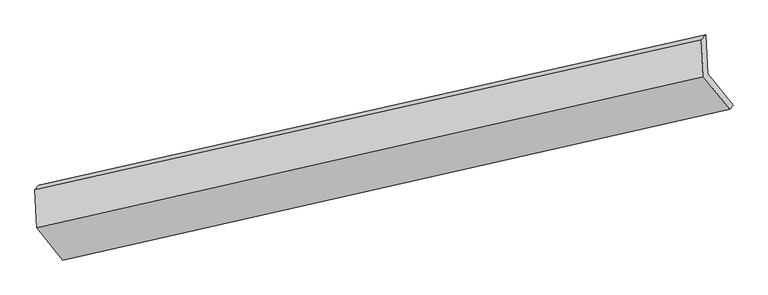
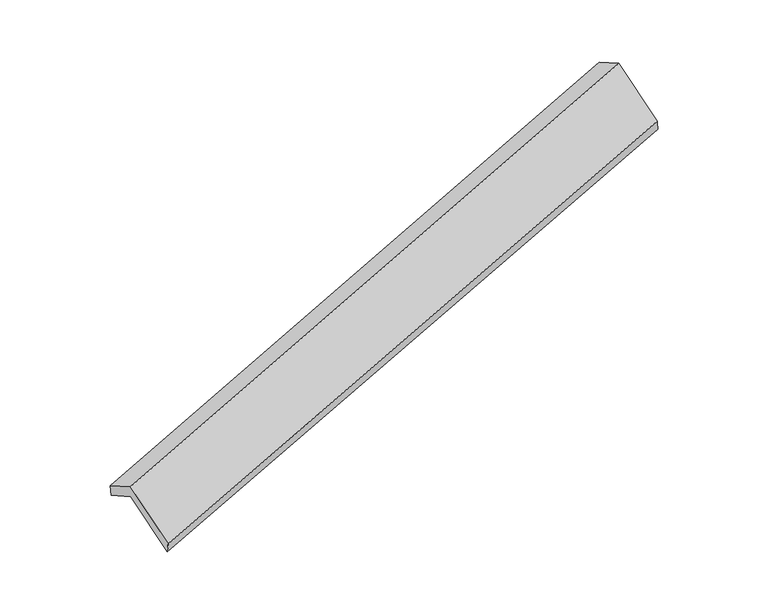
"""IFC4 building model written with IfcOpenShell, lengths in millimetres: proxy geometry."""

from ifc_helpers import new_model, si_unit, frame, origin, place, context, project, spatial, source, transform, mapped, element, save
from ifc_brep_helpers import plane_surface, spline_surface, advanced_brep


def generic_models_0451a450(model_context):
    return source(origin(), model_context, "Body", "AdvancedBrep", [
        advanced_brep(
        [(-5736.4718702, -2467.4412316, 608.6119965), (-5966.3247324, -2180.8723041, 1150.5294525), (136.6191853, -824.4345832, 3050.6041907), (369.9828737, -1115.3806314, 2500.409361), (-5984.3236624, -1843.7068754, 964.6003229), (117.6863451, -469.7746584, 2855.0277599), (-6021.2596773, -1886.3001731, 1116.0028519), (80.7503302, -512.3679562, 3006.4302888), (-6002.6875472, -2234.203087, 1307.8531439), (98.8555052, -851.523622, 3193.4569303), (-5765.0558954, -2530.4702161, 747.5958602), (339.9979833, -1152.1678717, 2624.922273)],
        [
            (0, 1),
            (1, 2),
            (2, 3),
            (3, 0),
            (1, 4),
            (4, 5),
            (5, 2),
            (4, 6),
            (6, 7),
            (7, 5),
            (6, 8),
            (8, 9),
            (9, 7),
            (8, 10),
            (10, 11),
            (11, 9),
            (10, 0),
            (3, 11),
        ],
        [
            plane_surface(frame((-5851.3983013, -2324.1567679, 879.5707245), z_axis=(-0.04454856772973864, 0.8751999908936923, -0.48170572038632714), x_axis=(-0.351082622931808, 0.4377120639571339, 0.827737362296585))),
            plane_surface(frame((-5975.3241974, -2012.2895898, 1057.5648877), z_axis=(0.3544943436763829, -0.43694979547119106, -0.8266853310293676), x_axis=(-0.04669550676554975, 0.8747248032172733, -0.48236505707234956))),
            plane_surface(frame((-6002.7916699, -1865.0035242, 1040.3015874), z_axis=(-0.2733242872202313, 0.9412960787489956, 0.19813007380838848), x_axis=(-0.22862300711404465, -0.26363991477928633, 0.9371368715152031))),
            plane_surface(frame((-6011.9736123, -2060.2516301, 1211.9279979), z_axis=(-0.3544943436763803, 0.43694979547115076, 0.8266853310293899), x_axis=(0.04669550676554974, -0.8747248032172972, 0.4823650570723063))),
            plane_surface(frame((-5883.8717213, -2382.3366516, 1027.724502), z_axis=(0.048842199721873536, -0.8742450058501386, 0.4830218517545767), x_axis=(0.3510826229318272, -0.4377120639570854, -0.8277373622966026))),
            spline_surface(1, 1, [[(-5765.0558954, -2530.4702161, 747.5958602), (339.9979833, -1152.1678717, 2624.922273)], [(-5736.4718702, -2467.4412316, 608.6119965), (369.9828737, -1115.3806314, 2500.409361)]], [2, 2], [2, 2], [0.0, 1.0], [0.0, 1.0]),
            plane_surface(frame((190.6487038, -820.9415538, 2871.8084673), z_axis=(0.9351794060623823, 0.20800160504909584, 0.2866614916130349), x_axis=(0.3510826229318272, -0.4377120639570854, -0.8277373622966026))),
            plane_surface(frame((-5912.6872308, -2190.4989812, 982.5322713), z_axis=(-0.9351794060623959, -0.20800160504889026, -0.2866614916131398), x_axis=(-0.1841021604511757, -0.4059530496101719, 0.8951583748306279))),
        ],
        [
            (0, [[1, 2, 3, 4]]),
            (1, [[5, 6, 7, -2]]),
            (2, [[8, 9, 10, -6]]),
            (3, [[11, 12, 13, -9]]),
            (4, [[14, 15, 16, -12]]),
            (5, [[17, -4, 18, -15]]),
            (6, [[-16, -18, -3, -7, -10, -13]]),
            (7, [[-17, -14, -11, -8, -5, -1]]),
        ],
    ),
    ])


if __name__ == "__main__":
    model = new_model("IFC4")
    model_context = context("Model", 3, world=origin())
    ifc_project = project(units=[si_unit("LENGTHUNIT", "METRE", prefix="MILLI")], contexts=[model_context])
    site = spatial("IfcSite", under=ifc_project)
    building = spatial("IfcBuilding", under=site)
    placement = place(None, origin())
    generic_models_shape = generic_models_0451a450(model_context)
    element("IfcBuildingElementProxy", 1, Name="Generic Models", at=placement, inside=building, context=model_context, shape_type="MappedRepresentation", body=[
        mapped(generic_models_shape, transform((0.0, 0.0, 0.0), x_axis=(1.0, 0.0, 0.0), y_axis=(0.0, 1.0, 0.0), z_axis=(0.0, 0.0, 1.0))),
    ])
    save(model, "model.ifc")
